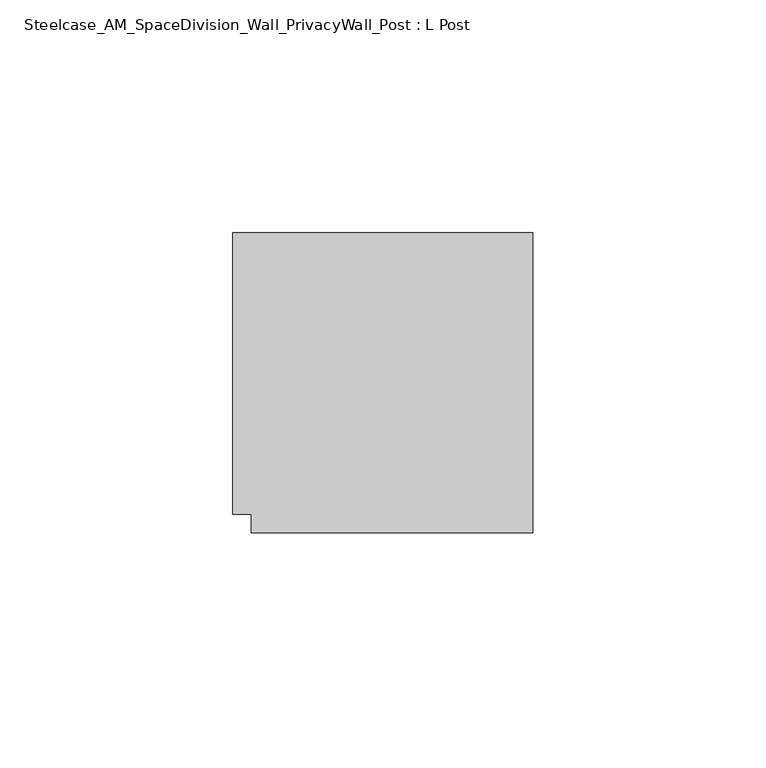
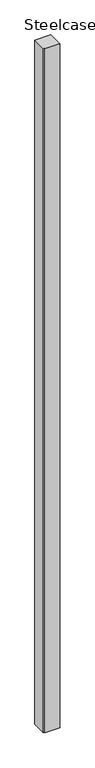
"""IFC4 building model written with IfcOpenShell, lengths in millimetres: furniture geometry, Steelcase_AM_SpaceDivision_Wall_PrivacyWall_Post : L Post."""

from ifc_helpers import new_model, si_unit, frame, origin, place, context, project, spatial, polyline, outline, extrude, source, transform, mapped, element, save


def steelcase_am_spacedivision_wall_privacywall_post_l_post_2ccef66f(model_context):
    return source(origin(), model_context, "Body", "SweptSolid", [
        extrude(outline(polyline([(0.0, 0.0), (0.0, -64.29375), (-60.3250001, -64.29375), (-60.3250001, -60.3249992), (-64.29375, -60.3249992), (-64.29375, 0.0), (0.0, 0.0)])), frame((0.0, 0.0, 101.600003), z_axis=(0.0, 0.0, 1.0), x_axis=(1.0, 0.0, 0.0)), (0.0, 0.0, 1.0), 2946.399997),
    ])


if __name__ == "__main__":
    model = new_model("IFC4")
    model_context = context("Model", 3, world=origin())
    ifc_project = project(units=[si_unit("LENGTHUNIT", "METRE", prefix="MILLI")], contexts=[model_context])
    site = spatial("IfcSite", under=ifc_project)
    building = spatial("IfcBuilding", under=site)
    placement = place(None, origin())
    steelcase_am_spacedivision_wall_privacywall_post_l_post_shape = steelcase_am_spacedivision_wall_privacywall_post_l_post_2ccef66f(model_context)
    element("IfcFurniture", 1, ObjectType="Steelcase_AM_SpaceDivision_Wall_PrivacyWall_Post : L Post", at=placement, inside=building, context=model_context, shape_type="MappedRepresentation", body=[
        mapped(steelcase_am_spacedivision_wall_privacywall_post_l_post_shape, transform((0.0, 0.0, 0.0), x_axis=(1.0, 0.0, 0.0), y_axis=(0.0, 1.0, 0.0), z_axis=(0.0, 0.0, 1.0))),
    ])
    save(model, "model.ifc")
